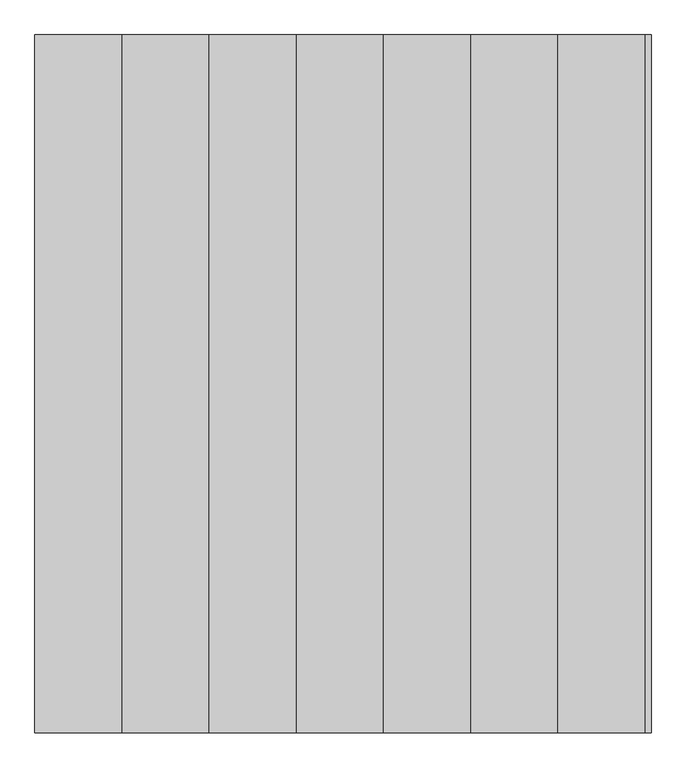
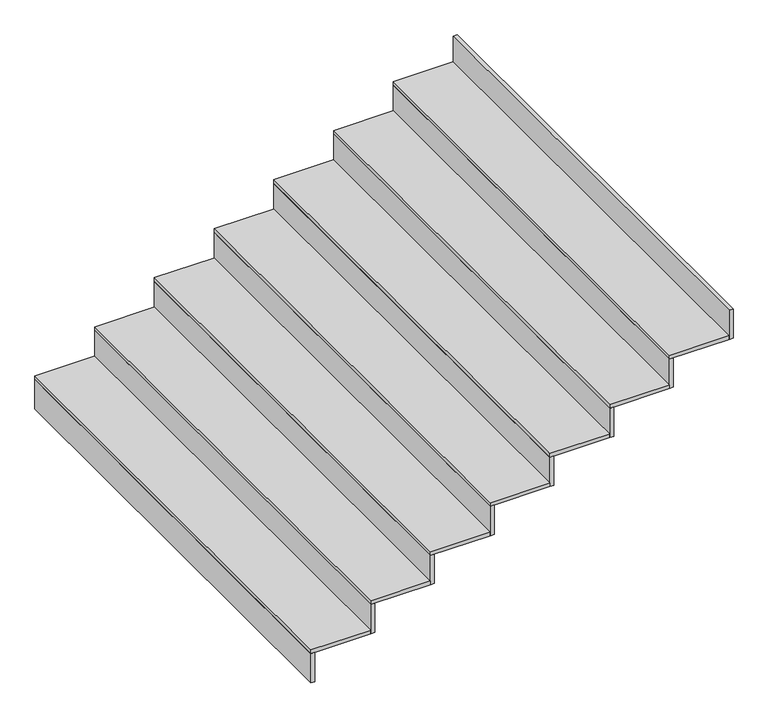
"""IFC4 building model written with IfcOpenShell, lengths in millimetres: stair flight geometry."""

from ifc_helpers import new_model, si_unit, frame, origin, place, context, project, spatial, polyline, outline, extrude, source, transform, mapped, element, save


def stair_flight_2cb84fa2(model_context):
    return source(origin(), model_context, "Body", "SweptSolid", [
        extrude(outline(polyline([(138027.7671954, 85709.8253141), (138007.7671954, 85709.8253141), (138007.7671954, 88109.8253141), (138027.7671954, 88109.8253141), (138027.7671954, 85709.8253141)])), frame((0.0, 0.0, 7500.4484855), z_axis=(0.0, 0.0, 1.0), x_axis=(1.0, 0.0, 0.0)), (0.0, 0.0, 1.0), 155.5958964),
        extrude(outline(polyline([(138307.7671954, 88109.8253141), (138307.7671954, 85709.8253141), (138007.7671954, 85709.8253141), (138007.7671954, 88109.8253141), (138307.7671954, 88109.8253141)])), frame((0.0, 0.0, 7656.0443819), z_axis=(0.0, 0.0, 1.0), x_axis=(1.0, 0.0, 0.0)), (0.0, 0.0, 1.0), 20.0),
        extrude(outline(polyline([(138327.7671954, 85709.8253141), (138307.7671954, 85709.8253141), (138307.7671954, 88109.8253141), (138327.7671954, 88109.8253141), (138327.7671954, 85709.8253141)])), frame((0.0, 0.0, 7656.0443819), z_axis=(0.0, 0.0, 1.0), x_axis=(1.0, 0.0, 0.0)), (0.0, 0.0, 1.0), 155.5958964),
        extrude(outline(polyline([(138607.7671954, 88109.8253141), (138607.7671954, 85709.8253141), (138307.7671954, 85709.8253141), (138307.7671954, 88109.8253141), (138607.7671954, 88109.8253141)])), frame((0.0, 0.0, 7811.6402784), z_axis=(0.0, 0.0, 1.0), x_axis=(1.0, 0.0, 0.0)), (0.0, 0.0, 1.0), 20.0),
        extrude(outline(polyline([(138627.7671954, 85709.8253141), (138607.7671954, 85709.8253141), (138607.7671954, 88109.8253141), (138627.7671954, 88109.8253141), (138627.7671954, 85709.8253141)])), frame((0.0, 0.0, 7811.6402784), z_axis=(0.0, 0.0, 1.0), x_axis=(1.0, 0.0, 0.0)), (0.0, 0.0, 1.0), 155.5958964),
        extrude(outline(polyline([(138907.7671954, 88109.8253141), (138907.7671954, 85709.8253141), (138607.7671954, 85709.8253141), (138607.7671954, 88109.8253141), (138907.7671954, 88109.8253141)])), frame((0.0, 0.0, 7967.2361748), z_axis=(0.0, 0.0, 1.0), x_axis=(1.0, 0.0, 0.0)), (0.0, 0.0, 1.0), 20.0),
        extrude(outline(polyline([(138927.7671954, 85709.8253141), (138907.7671954, 85709.8253141), (138907.7671954, 88109.8253141), (138927.7671954, 88109.8253141), (138927.7671954, 85709.8253141)])), frame((0.0, 0.0, 7967.2361748), z_axis=(0.0, 0.0, 1.0), x_axis=(1.0, 0.0, 0.0)), (0.0, 0.0, 1.0), 155.5958964),
        extrude(outline(polyline([(139207.7671954, 88109.8253141), (139207.7671954, 85709.8253141), (138907.7671954, 85709.8253141), (138907.7671954, 88109.8253141), (139207.7671954, 88109.8253141)])), frame((0.0, 0.0, 8122.8320712), z_axis=(0.0, 0.0, 1.0), x_axis=(1.0, 0.0, 0.0)), (0.0, 0.0, 1.0), 20.0),
        extrude(outline(polyline([(139227.7671954, 85709.8253141), (139207.7671954, 85709.8253141), (139207.7671954, 88109.8253141), (139227.7671954, 88109.8253141), (139227.7671954, 85709.8253141)])), frame((0.0, 0.0, 8122.8320712), z_axis=(0.0, 0.0, 1.0), x_axis=(1.0, 0.0, 0.0)), (0.0, 0.0, 1.0), 155.5958964),
        extrude(outline(polyline([(139507.7671954, 88109.8253141), (139507.7671954, 85709.8253141), (139207.7671954, 85709.8253141), (139207.7671954, 88109.8253141), (139507.7671954, 88109.8253141)])), frame((0.0, 0.0, 8278.4279677), z_axis=(0.0, 0.0, 1.0), x_axis=(1.0, 0.0, 0.0)), (0.0, 0.0, 1.0), 20.0),
        extrude(outline(polyline([(139527.7671954, 85709.8253141), (139507.7671954, 85709.8253141), (139507.7671954, 88109.8253141), (139527.7671954, 88109.8253141), (139527.7671954, 85709.8253141)])), frame((0.0, 0.0, 8278.4279677), z_axis=(0.0, 0.0, 1.0), x_axis=(1.0, 0.0, 0.0)), (0.0, 0.0, 1.0), 155.5958964),
        extrude(outline(polyline([(139807.7671954, 88109.8253141), (139807.7671954, 85709.8253141), (139507.7671954, 85709.8253141), (139507.7671954, 88109.8253141), (139807.7671954, 88109.8253141)])), frame((0.0, 0.0, 8434.0238641), z_axis=(0.0, 0.0, 1.0), x_axis=(1.0, 0.0, 0.0)), (0.0, 0.0, 1.0), 20.0),
        extrude(outline(polyline([(139827.7671954, 85709.8253141), (139807.7671954, 85709.8253141), (139807.7671954, 88109.8253141), (139827.7671954, 88109.8253141), (139827.7671954, 85709.8253141)])), frame((0.0, 0.0, 8434.0238641), z_axis=(0.0, 0.0, 1.0), x_axis=(1.0, 0.0, 0.0)), (0.0, 0.0, 1.0), 155.5958964),
        extrude(outline(polyline([(140127.7671954, 85709.8253141), (140107.7671954, 85709.8253141), (140107.7671954, 88109.8253141), (140127.7671954, 88109.8253141), (140127.7671954, 85709.8253141)])), frame((0.0, 0.0, 8589.6197606), z_axis=(0.0, 0.0, 1.0), x_axis=(1.0, 0.0, 0.0)), (0.0, 0.0, 1.0), 155.5958964),
        extrude(outline(polyline([(140107.7671954, 88109.8253141), (140107.7671954, 85709.8253141), (139807.7671954, 85709.8253141), (139807.7671954, 88109.8253141), (140107.7671954, 88109.8253141)])), frame((0.0, 0.0, 8589.6197606), z_axis=(0.0, 0.0, 1.0), x_axis=(1.0, 0.0, 0.0)), (0.0, 0.0, 1.0), 20.0),
    ])


if __name__ == "__main__":
    model = new_model("IFC4")
    model_context = context("Model", 3, world=origin())
    ifc_project = project(units=[si_unit("LENGTHUNIT", "METRE", prefix="MILLI")], contexts=[model_context])
    site = spatial("IfcSite", under=ifc_project)
    building = spatial("IfcBuilding", under=site)
    placement = place(None, origin())
    stair_flight_shape = stair_flight_2cb84fa2(model_context)
    element("IfcStairFlight", 1, at=placement, inside=building, context=model_context, shape_type="MappedRepresentation", body=[
        mapped(stair_flight_shape, transform((0.0, 0.0, 0.0), x_axis=(1.0, 0.0, 0.0), y_axis=(0.0, 1.0, 0.0), z_axis=(0.0, 0.0, 1.0))),
    ])
    save(model, "model.ifc")
